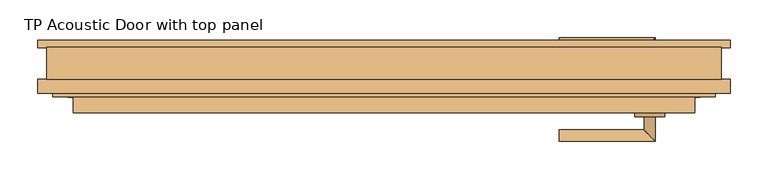
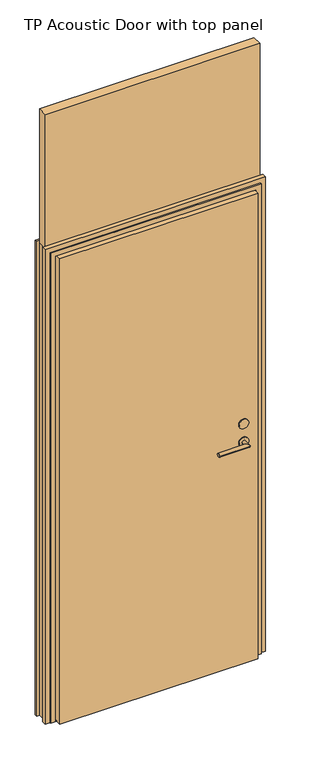
"""IFC4 building model written with IfcOpenShell, lengths in millimetres: door geometry, TP Acoustic Door with top panel."""

from ifc_helpers import new_model, si_unit, point, frame, frame_2d, origin, origin_with_axes, place, context, project, spatial, polyline, circle_curve, ellipse_curve, trimmed, segment, composite_curve, outline, extrude, faceted_brep, source, transform, mapped, element, save
from ifc_brep_helpers import plane_surface, cylinder_surface, advanced_brep


def tp_acoustic_door_with_top_panel_990b255b(model_context):
    return source(origin(), model_context, "Body", "SolidModel", [
        extrude(outline(composite_curve([segment(trimmed(circle_curve(frame_2d((1057.0, 352.5)), 20.0), [point((1057.0, 372.5))], [point((1057.0, 332.5))], False, "CARTESIAN"), True, "CONTINUOUS"), segment(trimmed(circle_curve(frame_2d((1057.0, 352.5)), 20.0), [point((1057.0, 332.5))], [point((1057.0, 372.5))], False, "CARTESIAN"), True, "CONTINUOUS")], self_intersect=False)), frame((0.0, -3.5, 0.0), z_axis=(0.0, 1.0, 0.0), x_axis=(0.0, 0.0, 1.0)), (0.0, 0.0, 1.0), 5.0),
        extrude(outline(composite_curve([segment(trimmed(circle_curve(frame_2d((1057.0, 352.5)), 20.0), [point((1057.0, 372.5))], [point((1057.0, 332.5))], False, "CARTESIAN"), True, "CONTINUOUS"), segment(trimmed(circle_curve(frame_2d((1057.0, 352.5)), 20.0), [point((1057.0, 332.5))], [point((1057.0, 372.5))], False, "CARTESIAN"), True, "CONTINUOUS")], self_intersect=False)), frame((0.0, -70.5, 0.0), z_axis=(0.0, 1.0, 0.0), x_axis=(0.0, 0.0, 1.0)), (0.0, 0.0, 1.0), 5.0),
        extrude(outline(composite_curve([segment(trimmed(circle_curve(frame_2d((977.0, 352.5)), 20.0), [point((977.0, 372.5))], [point((977.0, 332.5))], False, "CARTESIAN"), True, "CONTINUOUS"), segment(trimmed(circle_curve(frame_2d((977.0, 352.5)), 20.0), [point((977.0, 332.5))], [point((977.0, 372.5))], False, "CARTESIAN"), True, "CONTINUOUS")], self_intersect=False), holes=[composite_curve([segment(trimmed(circle_curve(frame_2d((977.0, 352.5)), 7.5), [point((977.0, 360.0))], [point((977.0, 345.0))], True, "CARTESIAN"), True, "CONTINUOUS"), segment(trimmed(circle_curve(frame_2d((977.0, 352.5)), 7.5), [point((977.0, 345.0))], [point((977.0, 360.0))], True, "CARTESIAN"), True, "CONTINUOUS")], self_intersect=False)]), frame((0.0, -70.5, 0.0), z_axis=(0.0, 1.0, 0.0), x_axis=(0.0, 0.0, 1.0)), (0.0, 0.0, 1.0), 5.0),
        extrude(outline(composite_curve([segment(trimmed(circle_curve(frame_2d((977.0, 352.5)), 20.0), [point((977.0, 372.5))], [point((977.0, 332.5))], False, "CARTESIAN"), True, "CONTINUOUS"), segment(trimmed(circle_curve(frame_2d((977.0, 352.5)), 20.0), [point((977.0, 332.5))], [point((977.0, 372.5))], False, "CARTESIAN"), True, "CONTINUOUS")], self_intersect=False), holes=[composite_curve([segment(trimmed(circle_curve(frame_2d((977.0, 352.5)), 7.5), [point((977.0, 360.0))], [point((977.0, 345.0))], True, "CARTESIAN"), True, "CONTINUOUS"), segment(trimmed(circle_curve(frame_2d((977.0, 352.5)), 7.5), [point((977.0, 345.0))], [point((977.0, 360.0))], True, "CARTESIAN"), True, "CONTINUOUS")], self_intersect=False)]), frame((0.0, -3.5, 0.0), z_axis=(0.0, 1.0, 0.0), x_axis=(0.0, 0.0, 1.0)), (0.0, 0.0, 1.0), 5.0),
        advanced_brep(
        [(360.0, -3.5, 977.0), (345.0, -3.5, 977.0), (360.0, 34.0, 977.0), (345.0, 19.0, 977.0), (232.5, 34.0, 977.0), (232.5, 19.0, 977.0)],
        [
            (0, 1, circle_curve(frame((352.5, -3.5, 977.0), z_axis=(0.0, -1.0, 0.0), x_axis=(-1.0, 0.0, 0.0)), 7.5)),
            (1, 0, circle_curve(frame((352.5, -3.5, 977.0), z_axis=(0.0, -1.0, 0.0), x_axis=(-1.0, 0.0, 0.0)), 7.5)),
            (0, 2),
            (2, 3, ellipse_curve(frame((352.5, 26.5, 977.0), z_axis=(0.7071067811865475, -0.7071067811865475, 0.0), x_axis=(-0.7071067811865474, -0.7071067811865476, 0.0)), 10.6066017, 7.5)),
            (3, 1),
            (3, 2, ellipse_curve(frame((352.5, 26.5, 977.0), z_axis=(0.7071067811865475, -0.7071067811865475, 0.0), x_axis=(-0.7071067811865474, -0.7071067811865476, 0.0)), 10.6066017, 7.5)),
            (4, 5, circle_curve(frame((232.5, 26.5, 977.0), z_axis=(-1.0, 0.0, 0.0), x_axis=(0.0, -1.0, 0.0)), 7.5)),
            (5, 4, circle_curve(frame((232.5, 26.5, 977.0), z_axis=(-1.0, 0.0, 0.0), x_axis=(0.0, -1.0, 0.0)), 7.5)),
            (2, 4),
            (5, 3),
        ],
        [
            plane_surface(frame((352.5, -3.5, 977.0), z_axis=(0.0, -1.0, 0.0), x_axis=(0.0, 0.0, 1.0))),
            cylinder_surface(frame((352.5, -3.5, 977.0), z_axis=(0.0, -1.0, 0.0), x_axis=(-1.0, 0.0, 0.0)), 7.5),
            plane_surface(frame((232.5, 26.5, 977.0), z_axis=(-1.0, 0.0, 0.0), x_axis=(0.0, 0.0, 1.0))),
            cylinder_surface(frame((352.5, 26.5, 977.0), z_axis=(1.0, 0.0, 0.0), x_axis=(0.0, -1.0, 0.0)), 7.5),
        ],
        [
            (0, [[1, 2]]),
            (1, [[-1, 3, 4, 5]]),
            (1, [[-2, -5, 6, -3]]),
            (2, [[7, 8]]),
            (3, [[-4, 9, -8, 10]]),
            (3, [[-6, -10, -7, -9]]),
        ],
    ),
        advanced_brep(
        [(345.0, -65.5, 977.0), (360.0, -65.5, 977.0), (345.0, -88.0, 977.0), (360.0, -103.0, 977.0), (232.5, -88.0, 977.0), (232.5, -103.0, 977.0)],
        [
            (0, 1, circle_curve(frame((352.5, -65.5, 977.0), z_axis=(0.0, 1.0, 0.0), x_axis=(1.0, 0.0, 0.0)), 7.5)),
            (1, 0, circle_curve(frame((352.5, -65.5, 977.0), z_axis=(0.0, 1.0, 0.0), x_axis=(1.0, 0.0, 0.0)), 7.5)),
            (0, 2),
            (2, 3, ellipse_curve(frame((352.5, -95.5, 977.0), z_axis=(0.7071067811865475, 0.7071067811865475, 0.0), x_axis=(-0.7071067811865474, 0.7071067811865476, 0.0)), 10.6066017, 7.5)),
            (3, 1),
            (3, 2, ellipse_curve(frame((352.5, -95.5, 977.0), z_axis=(0.7071067811865475, 0.7071067811865475, 0.0), x_axis=(-0.7071067811865474, 0.7071067811865476, 0.0)), 10.6066017, 7.5)),
            (4, 5, circle_curve(frame((232.5, -95.5, 977.0), z_axis=(-1.0, 0.0, 0.0), x_axis=(0.0, -1.0, 0.0)), 7.5)),
            (5, 4, circle_curve(frame((232.5, -95.5, 977.0), z_axis=(-1.0, 0.0, 0.0), x_axis=(0.0, -1.0, 0.0)), 7.5)),
            (2, 4),
            (5, 3),
        ],
        [
            plane_surface(frame((352.5, -65.5, 977.0), z_axis=(0.0, 1.0, 0.0), x_axis=(0.0, 0.0, 1.0))),
            cylinder_surface(frame((352.5, -65.5, 977.0), z_axis=(0.0, 1.0, 0.0), x_axis=(1.0, 0.0, 0.0)), 7.5),
            plane_surface(frame((232.5, -95.5, 977.0), z_axis=(-1.0, 0.0, 0.0), x_axis=(0.0, 0.0, 1.0))),
            cylinder_surface(frame((352.5, -95.5, 977.0), z_axis=(1.0, 0.0, 0.0), x_axis=(0.0, -1.0, 0.0)), 7.5),
        ],
        [
            (0, [[1, 2]]),
            (1, [[-1, 3, 4, 5]]),
            (1, [[-2, -5, 6, -3]]),
            (2, [[7, 8]]),
            (3, [[-4, 9, -8, 10]]),
            (3, [[-6, -10, -7, -9]]),
        ],
    ),
        faceted_brep([(447.5, 21.0, 0.0), (447.5, -21.0, 0.0), (459.5, -21.0, 0.0), (459.5, -39.5, 0.0), (439.5, -39.5, 0.0), (439.5, -44.5, 0.0), (419.5, -44.5, 0.0), (419.5, -0.5, 0.0), (407.5, -0.5, 0.0), (407.5, 18.5, 0.0), (420.5, 18.5, 0.0), (420.5, 30.5, 0.0), (459.5, 30.5, 0.0), (459.5, 21.0, 0.0), (459.5, 21.0, 2090.0), (-459.5, 21.0, 2090.0), (-459.5, 21.0, 0.0), (-447.5, 21.0, 0.0), (-447.5, 21.0, 2078.0), (447.5, 21.0, 2078.0), (459.5, 30.5, 2090.0), (420.5, 30.5, 2051.0), (-420.5, 30.5, 2051.0), (-420.5, 30.5, 0.0), (-459.5, 30.5, 0.0), (-459.5, 30.5, 2090.0), (420.5, 18.5, 2051.0), (407.5, 18.5, 2038.0), (-407.5, 18.5, 2038.0), (-407.5, 18.5, 0.0), (-420.5, 18.5, 0.0), (-420.5, 18.5, 2051.0), (407.5, -0.5, 2038.0), (419.5, -0.5, 2050.0), (-419.5, -0.5, 2050.0), (-419.5, -0.5, 0.0), (-407.5, -0.5, 0.0), (-407.5, -0.5, 2038.0), (419.5, -44.5, 2050.0), (439.5, -44.5, 2070.0), (-439.5, -44.5, 2070.0), (-439.5, -44.5, 0.0), (-419.5, -44.5, 0.0), (-419.5, -44.5, 2050.0), (439.5, -39.5, 2070.0), (459.5, -39.5, 2090.0), (-459.5, -39.5, 2090.0), (-459.5, -39.5, 0.0), (-439.5, -39.5, 0.0), (-439.5, -39.5, 2070.0), (459.5, -21.0, 2090.0), (447.5, -21.0, 2078.0), (-447.5, -21.0, 2078.0), (-447.5, -21.0, 0.0), (-459.5, -21.0, 0.0), (-459.5, -21.0, 2090.0)], [[[0, 1, 2, 3, 4, 5, 6, 7, 8, 9, 10, 11, 12, 13]], [[13, 14, 15, 16, 17, 18, 19, 0]], [[12, 20, 14, 13]], [[11, 21, 22, 23, 24, 25, 20, 12]], [[10, 26, 21, 11]], [[9, 27, 28, 29, 30, 31, 26, 10]], [[8, 32, 27, 9]], [[7, 33, 34, 35, 36, 37, 32, 8]], [[6, 38, 33, 7]], [[5, 39, 40, 41, 42, 43, 38, 6]], [[4, 44, 39, 5]], [[3, 45, 46, 47, 48, 49, 44, 4]], [[2, 50, 45, 3]], [[1, 51, 52, 53, 54, 55, 50, 2]], [[0, 19, 51, 1]], [[17, 16, 24, 23, 30, 29, 36, 35, 42, 41, 48, 47, 54, 53]], [[18, 17, 53, 52]], [[55, 54, 47, 46]], [[49, 48, 41, 40]], [[43, 42, 35, 34]], [[37, 36, 29, 28]], [[31, 30, 23, 22]], [[25, 24, 16, 15]], [[19, 18, 52, 51]], [[20, 25, 15, 14]], [[26, 31, 22, 21]], [[32, 37, 28, 27]], [[38, 43, 34, 33]], [[44, 49, 40, 39]], [[50, 55, 46, 45]]]),
        extrude(outline(polyline([(-412.5, -3.5), (412.5, -3.5), (412.5, -65.5), (-412.5, -65.5), (-412.5, -3.5)])), origin_with_axes(), (0.0, 0.0, 1.0), 2050.0),
        extrude(outline(polyline([(447.5, -21.0), (-447.5, -21.0), (-447.5, 21.0), (447.5, 21.0), (447.5, -21.0)])), frame((0.0, 0.0, 2078.0), z_axis=(0.0, 0.0, 1.0), x_axis=(1.0, 0.0, 0.0)), (0.0, 0.0, 1.0), 592.0),
        extrude(outline(polyline([(419.5, -44.5), (-419.5, -44.5), (-419.5, -0.5), (-407.5, -0.5), (-407.5, 18.5), (407.5, 18.5), (407.5, -0.5), (419.5, -0.5), (419.5, -44.5)])), origin_with_axes(), (0.0, 0.0, 1.0), 2.0),
    ])


if __name__ == "__main__":
    model = new_model("IFC4")
    model_context = context("Model", 3, world=origin())
    ifc_project = project(units=[si_unit("LENGTHUNIT", "METRE", prefix="MILLI")], contexts=[model_context])
    site = spatial("IfcSite", under=ifc_project)
    building = spatial("IfcBuilding", under=site)
    placement = place(None, origin())
    tp_acoustic_door_with_top_panel_shape = tp_acoustic_door_with_top_panel_990b255b(model_context)
    element("IfcDoor", 1, ObjectType="TP Acoustic Door with top panel", at=placement, inside=building, context=model_context, shape_type="MappedRepresentation", body=[
        mapped(tp_acoustic_door_with_top_panel_shape, transform((0.0, 0.0, 0.0), x_axis=(1.0, 0.0, 0.0), y_axis=(0.0, 1.0, 0.0), z_axis=(0.0, 0.0, 1.0))),
    ])
    save(model, "model.ifc")
